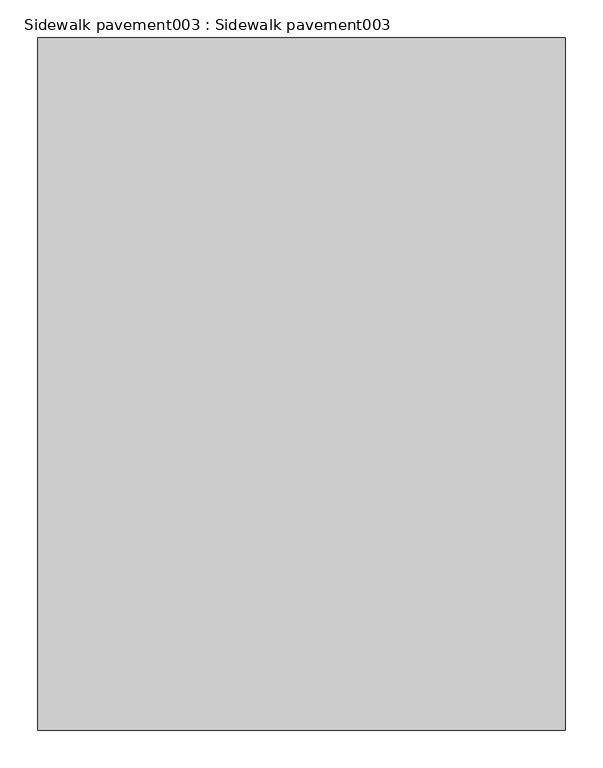
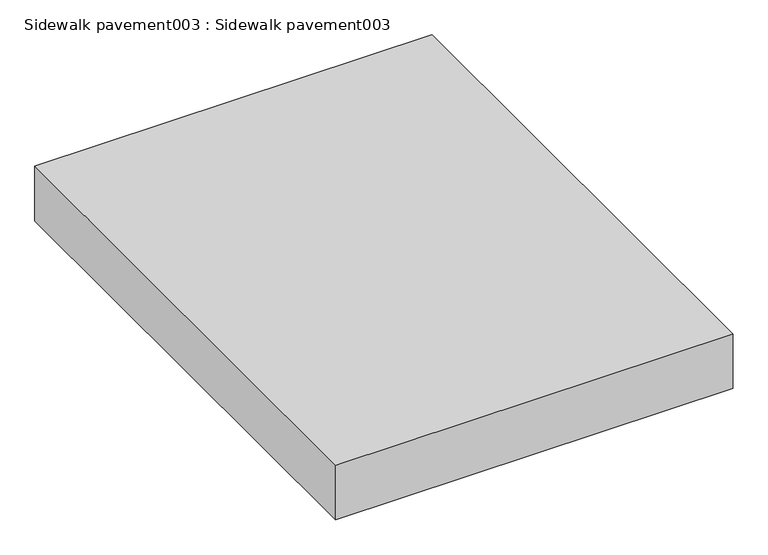
"""IFC4 building model written with IfcOpenShell, lengths in millimetres: proxy geometry, Sidewalk pavement003 : Sidewalk pavement003."""

from ifc_helpers import new_model, si_unit, frame, origin, place, context, project, spatial, polyline, outline, extrude, source, transform, mapped, element, save


def sidewalk_pavement003_sidewalk_pavement003_515af517(model_context):
    return source(origin(), model_context, "Body", "SweptSolid", [
        extrude(outline(polyline([(38809.6349722, -19576.8264268), (38113.2694793, -19576.8264268), (38113.2694793, -18662.4264268), (38809.6349722, -18662.4264268), (38809.6349722, -19576.8264268)])), frame((0.0, 0.0, -101.6), z_axis=(0.0, 0.0, 1.0), x_axis=(1.0, 0.0, 0.0)), (0.0, 0.0, 1.0), 101.6),
    ])


if __name__ == "__main__":
    model = new_model("IFC4")
    model_context = context("Model", 3, world=origin())
    ifc_project = project(units=[si_unit("LENGTHUNIT", "METRE", prefix="MILLI")], contexts=[model_context])
    site = spatial("IfcSite", under=ifc_project)
    building = spatial("IfcBuilding", under=site)
    placement = place(None, origin())
    sidewalk_pavement003_sidewalk_pavement003_shape = sidewalk_pavement003_sidewalk_pavement003_515af517(model_context)
    element("IfcBuildingElementProxy", 1, Name="Sidewalk pavement003 : Sidewalk pavement003", ObjectType="Sidewalk pavement003 : Sidewalk pavement003", at=placement, inside=building, context=model_context, shape_type="MappedRepresentation", body=[
        mapped(sidewalk_pavement003_sidewalk_pavement003_shape, transform((0.0, 0.0, 0.0), x_axis=(1.0, 0.0, 0.0), y_axis=(0.0, 1.0, 0.0), z_axis=(0.0, 0.0, 1.0))),
    ])
    save(model, "model.ifc")
